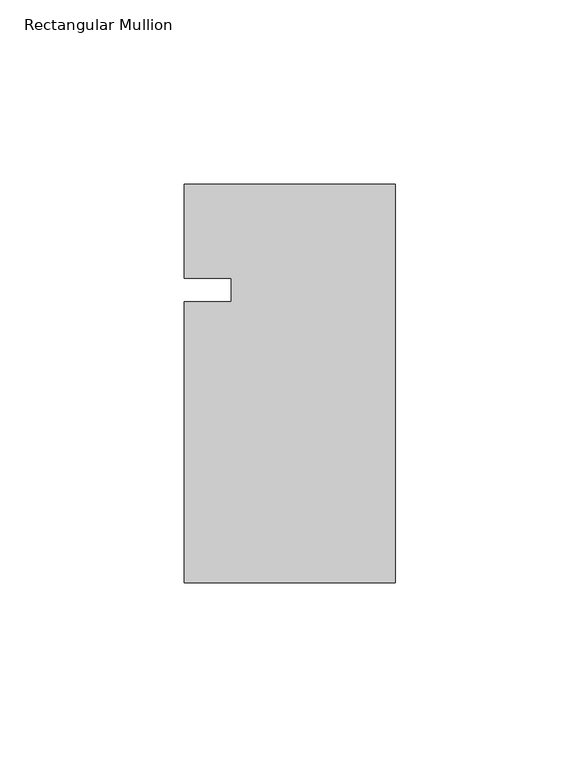
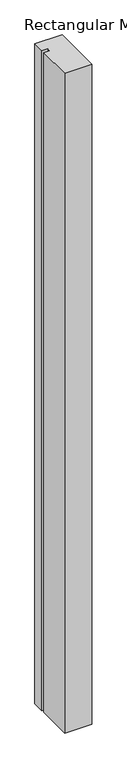
"""IFC4 building model written with IfcOpenShell, lengths in millimetres: member geometry, Rectangular Mullion."""

from ifc_helpers import new_model, si_unit, frame, origin, place, context, project, spatial, polyline, outline, extrude, source, transform, mapped, element, save


def rectangular_mullion_5cb41fda(model_context):
    return source(origin(), model_context, "Body", "SweptSolid", [
        extrude(outline(polyline([(-57.15, -79.375), (-57.15, -3.175), (-44.4482296, -3.175), (-44.4482296, 3.175), (-57.15, 3.175), (-57.15, 28.575), (0.0, 28.575), (0.0, -79.375), (-57.15, -79.375)])), frame((0.0, 0.0, -1466.85), z_axis=(0.0, 0.0, 1.0), x_axis=(1.0, 0.0, 0.0)), (0.0, 0.0, 1.0), 1466.85),
    ])


if __name__ == "__main__":
    model = new_model("IFC4")
    model_context = context("Model", 3, world=origin())
    ifc_project = project(units=[si_unit("LENGTHUNIT", "METRE", prefix="MILLI")], contexts=[model_context])
    site = spatial("IfcSite", under=ifc_project)
    building = spatial("IfcBuilding", under=site)
    placement = place(None, origin())
    rectangular_mullion_shape = rectangular_mullion_5cb41fda(model_context)
    element("IfcMember", 1, ObjectType="Rectangular Mullion", at=placement, inside=building, context=model_context, shape_type="MappedRepresentation", body=[
        mapped(rectangular_mullion_shape, transform((0.0, 0.0, 0.0), x_axis=(1.0, 0.0, 0.0), y_axis=(0.0, 1.0, 0.0), z_axis=(0.0, 0.0, 1.0))),
    ])
    save(model, "model.ifc")
